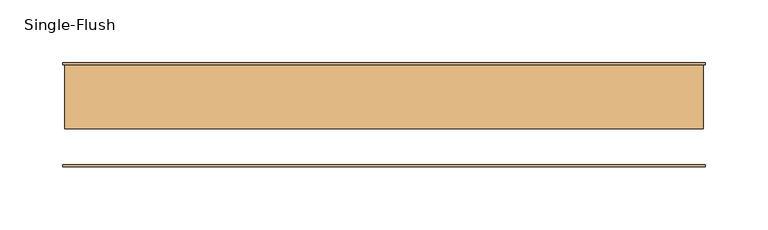
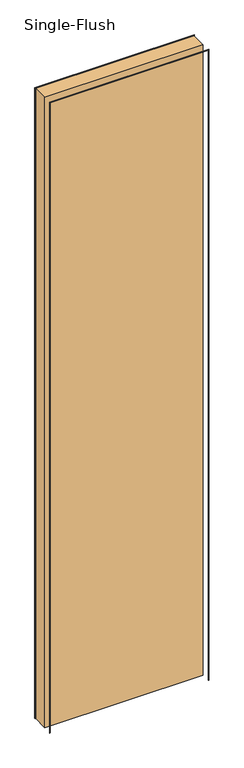
"""IFC4 building model written with IfcOpenShell, lengths in millimetres: door geometry, Single-Flush."""

from ifc_helpers import new_model, si_unit, frame, origin, origin_with_axes, place, context, project, spatial, polyline, outline, extrude, source, transform, mapped, element, save


def single_flush_07ed0dde(model_context):
    return source(origin(), model_context, "Body", "SweptSolid", [
        extrude(outline(polyline([(2135.1875, -255.5875), (0.0, -255.5875), (0.0, -254.0), (2133.6, -254.0), (2133.6, 254.0), (0.0, 254.0), (0.0, 255.5875), (2135.1875, 255.5875), (2135.1875, -255.5875)])), frame((0.0, 39.6875, 0.0), z_axis=(0.0, 1.0, 0.0), x_axis=(0.0, 0.0, 1.0)), (0.0, 0.0, 1.0), 1.5875),
        extrude(outline(polyline([(2135.1875, 255.5875), (2135.1875, -255.5875), (0.0, -255.5875), (0.0, -254.0), (2133.6, -254.0), (2133.6, 254.0), (0.0, 254.0), (0.0, 255.5875), (2135.1875, 255.5875)])), frame((0.0, -41.275, 0.0), z_axis=(0.0, 1.0, 0.0), x_axis=(0.0, 0.0, 1.0)), (0.0, 0.0, 1.0), 1.5875),
        extrude(outline(polyline([(254.0, -11.1125), (-254.0, -11.1125), (-254.0, 39.6875), (254.0, 39.6875), (254.0, -11.1125)])), origin_with_axes(), (0.0, 0.0, 1.0), 2133.6),
    ])


if __name__ == "__main__":
    model = new_model("IFC4")
    model_context = context("Model", 3, world=origin())
    ifc_project = project(units=[si_unit("LENGTHUNIT", "METRE", prefix="MILLI")], contexts=[model_context])
    site = spatial("IfcSite", under=ifc_project)
    building = spatial("IfcBuilding", under=site)
    placement = place(None, origin())
    single_flush_shape = single_flush_07ed0dde(model_context)
    element("IfcDoor", 1, ObjectType="Single-Flush", at=placement, inside=building, context=model_context, shape_type="MappedRepresentation", body=[
        mapped(single_flush_shape, transform((0.0, 0.0, 0.0), x_axis=(1.0, 0.0, 0.0), y_axis=(0.0, 1.0, 0.0), z_axis=(0.0, 0.0, 1.0))),
    ])
    save(model, "model.ifc")
